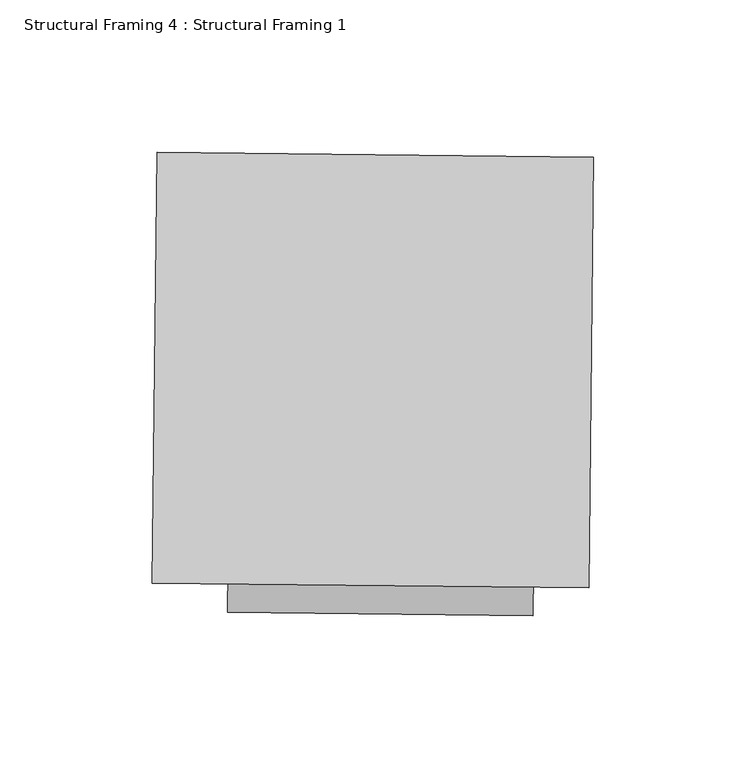
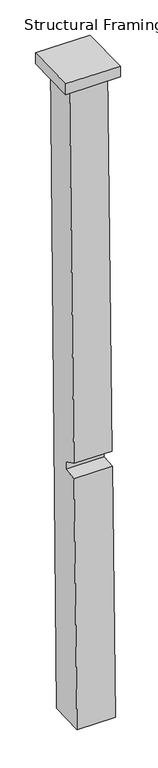
"""IFC4 building model written with IfcOpenShell, lengths in millimetres: beam geometry, Structural Framing 4 : Structural Framing 1."""

from ifc_helpers import new_model, si_unit, frame, origin, place, context, project, spatial, polyline, outline, extrude, source, transform, mapped, element, save


def structural_framing_4_structural_framing_1_cdead918(model_context):
    return source(origin(), model_context, "Body", "SweptSolid", [
        extrude(outline(polyline([(-40962.3056094, 38313.9422529), (-40960.7301249, 38455.4571031), (-40817.2504374, 38453.8597441), (-40818.8259219, 38312.3448938), (-40962.3056094, 38313.9422529)])), frame((0.0, 0.0, 110351.0571568), z_axis=(0.0, 0.0, 1.0), x_axis=(1.0, 0.0, 0.0)), (0.0, 0.0, 1.0), 29.6874424),
        extrude(outline(polyline([(-83.0140406, 0.0), (-80.0226878, -88.5363682), (-1131.090371, -92.7419287), (-1149.2669009, -54.7750481), (-1169.6637056, -54.4449696), (-1173.5902737, -92.9119805), (-1864.956216, -95.6782925), (-1862.102879, 0.0), (-83.0140406, 0.0)])), frame((-40835.7689615, 38429.3400195, 110439.649314), z_axis=(-0.9999380339406203, 0.011132307890417244, 0.0), x_axis=(0.0001801289143225813, 0.016179731482150867, 0.9998690833517856)), (0.0, 0.0, 1.0), 100.3675956),
    ])


if __name__ == "__main__":
    model = new_model("IFC4")
    model_context = context("Model", 3, world=origin())
    ifc_project = project(units=[si_unit("LENGTHUNIT", "METRE", prefix="MILLI")], contexts=[model_context])
    site = spatial("IfcSite", under=ifc_project)
    building = spatial("IfcBuilding", under=site)
    placement = place(None, origin())
    structural_framing_4_structural_framing_1_shape = structural_framing_4_structural_framing_1_cdead918(model_context)
    element("IfcBeam", 1, ObjectType="Structural Framing 4 : Structural Framing 1", at=placement, inside=building, context=model_context, shape_type="MappedRepresentation", body=[
        mapped(structural_framing_4_structural_framing_1_shape, transform((0.0, 0.0, 0.0), x_axis=(1.0, 0.0, 0.0), y_axis=(0.0, 1.0, 0.0), z_axis=(0.0, 0.0, 1.0))),
    ])
    save(model, "model.ifc")
